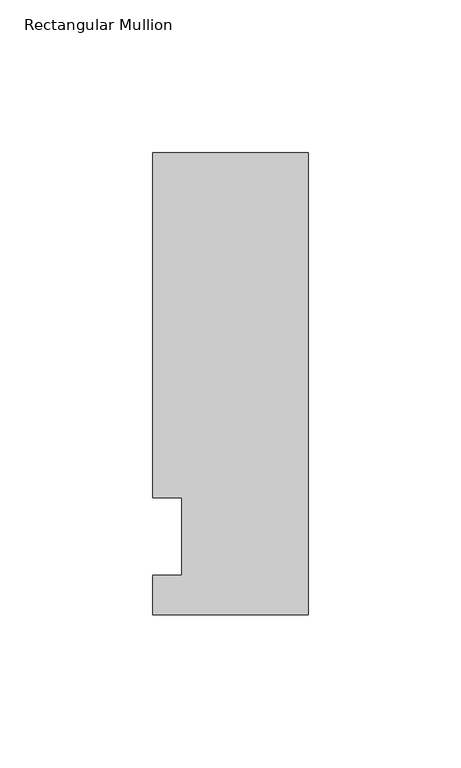
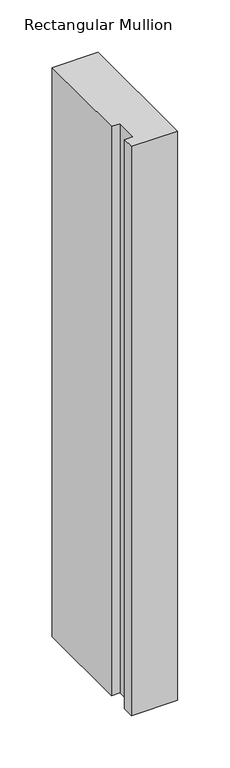
"""IFC4 building model written with IfcOpenShell, lengths in millimetres: member geometry, Rectangular Mullion."""

from ifc_helpers import new_model, si_unit, frame, origin, place, context, project, spatial, polyline, outline, extrude, source, transform, mapped, element, save


def rectangular_mullion_589db8a5(model_context):
    return source(origin(), model_context, "Body", "SweptSolid", [
        extrude(outline(polyline([(-50.8, -25.5984375), (-50.8, -12.7), (-41.275, -12.7), (-41.275, 12.7), (-50.8, 12.7), (-50.8, 125.6109375), (0.0, 125.6109375), (0.0, -25.5984375), (-50.8, -25.5984375)])), frame((0.0, 0.0, -663.575), z_axis=(0.0, 0.0, 1.0), x_axis=(1.0, 0.0, 0.0)), (0.0, 0.0, 1.0), 663.575),
    ])


if __name__ == "__main__":
    model = new_model("IFC4")
    model_context = context("Model", 3, world=origin())
    ifc_project = project(units=[si_unit("LENGTHUNIT", "METRE", prefix="MILLI")], contexts=[model_context])
    site = spatial("IfcSite", under=ifc_project)
    building = spatial("IfcBuilding", under=site)
    placement = place(None, origin())
    rectangular_mullion_shape = rectangular_mullion_589db8a5(model_context)
    element("IfcMember", 1, ObjectType="Rectangular Mullion", at=placement, inside=building, context=model_context, shape_type="MappedRepresentation", body=[
        mapped(rectangular_mullion_shape, transform((0.0, 0.0, 0.0), x_axis=(1.0, 0.0, 0.0), y_axis=(0.0, 1.0, 0.0), z_axis=(0.0, 0.0, 1.0))),
    ])
    save(model, "model.ifc")
